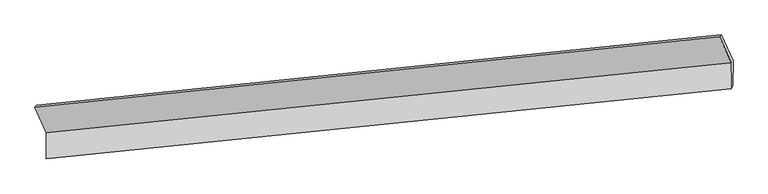
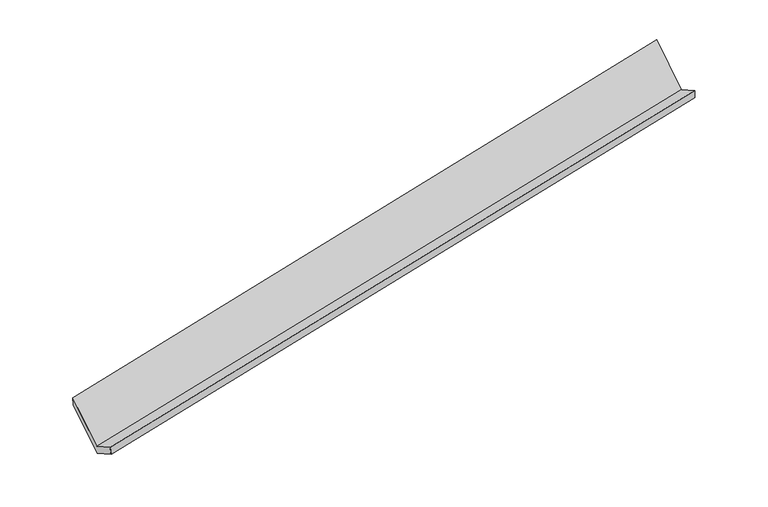
"""IFC4 building model written with IfcOpenShell, lengths in millimetres: proxy geometry."""

from ifc_helpers import new_model, si_unit, frame, origin, place, context, project, spatial, source, transform, mapped, element, save
from ifc_brep_helpers import plane_surface, spline_surface, advanced_brep


def generic_models_1192a28b(model_context):
    return source(origin(), model_context, "Body", "AdvancedBrep", [
        advanced_brep(
        [(-7624.3546119, -2007.4686643, 773.5888354), (-7626.9364618, -2375.8903012, 979.7454972), (1985.8686675, -1395.6719793, 2862.116843), (1988.4505174, -1027.2503423, 2655.9601813), (-7602.1644032, -2356.9189057, 844.1269461), (2010.8241887, -1350.5210637, 2711.8490914), (-7599.5285589, -1980.7924373, 633.6589135), (2013.2765704, -1000.5741153, 2516.0302594), (-7761.681788, -1623.954905, 1269.3308895), (1847.8663667, -636.5692216, 3164.4702049), (-7786.6999019, -1650.208479, 1410.0137273), (1822.8482528, -662.8227956, 3305.1530427)],
        [
            (0, 1),
            (1, 2),
            (2, 3),
            (3, 0),
            (1, 4),
            (4, 5),
            (5, 2),
            (4, 6),
            (6, 7),
            (7, 5),
            (6, 8),
            (8, 9),
            (9, 7),
            (8, 10),
            (10, 11),
            (11, 9),
            (10, 0),
            (3, 11),
        ],
        [
            plane_surface(frame((-7625.6455368, -2191.6794828, 876.6671663), z_axis=(-0.21548518512131143, 0.4779934380764547, 0.8515212317664691), x_axis=(-0.006115419903508685, -0.8726506652948814, 0.48830668436936703))),
            spline_surface(1, 1, [[(-7626.9364618, -2375.8903012, 979.7454972), (1985.8686675, -1395.6719793, 2862.116843)], [(-7602.1644032, -2356.9189057, 844.1269461), (2010.8241887, -1350.5210637, 2711.8490914)]], [2, 2], [2, 2], [0.0, 1.0], [0.0, 1.0]),
            plane_surface(frame((-7600.8464811, -2168.8556715, 738.8929298), z_axis=(0.21548518512131043, -0.4779934380765754, -0.8515212317664015), x_axis=(0.006115419903506466, 0.8726506652948121, -0.488306684369491))),
            plane_surface(frame((-7680.6051735, -1802.3736711, 951.4949015), z_axis=(0.006611200895105668, 0.8727017608348802, -0.48820889858586586), x_axis=(-0.2171316418546682, 0.4778240909030943, 0.8511979724236469))),
            plane_surface(frame((-7774.1908449, -1637.081692, 1339.6723084), z_axis=(-0.1319137054647546, 0.9784055570446035, 0.15912680558220582), x_axis=(-0.17220398312175253, -0.1807078676310177, 0.9683441819793486))),
            plane_surface(frame((-7705.5272569, -1828.8385716, 1091.8012814), z_axis=(-0.0066112008950874185, -0.8727017608349195, 0.48820889858579586), x_axis=(0.21713164185467404, -0.4778240909030219, -0.8511979724236861))),
            plane_surface(frame((1944.8557606, -1012.2349196, 2869.2632704), z_axis=(0.976123174473846, 0.10082139908342733, 0.19240216667689036), x_axis=(-0.17220398312175253, -0.1807078676310177, 0.9683441819793486))),
            plane_surface(frame((-7666.8942876, -1999.2056154, 985.0774682), z_axis=(-0.9761231744738467, -0.1008213990834212, -0.19240216667689117), x_axis=(-0.21713164185467176, 0.4778240909030137, 0.8511979724236913))),
        ],
        [
            (0, [[1, 2, 3, 4]]),
            (1, [[5, 6, 7, -2]]),
            (2, [[8, 9, 10, -6]]),
            (3, [[11, 12, 13, -9]]),
            (4, [[14, 15, 16, -12]]),
            (5, [[17, -4, 18, -15]]),
            (6, [[-16, -18, -3, -7, -10, -13]]),
            (7, [[-17, -14, -11, -8, -5, -1]]),
        ],
    ),
    ])


if __name__ == "__main__":
    model = new_model("IFC4")
    model_context = context("Model", 3, world=origin())
    ifc_project = project(units=[si_unit("LENGTHUNIT", "METRE", prefix="MILLI")], contexts=[model_context])
    site = spatial("IfcSite", under=ifc_project)
    building = spatial("IfcBuilding", under=site)
    placement = place(None, origin())
    generic_models_shape = generic_models_1192a28b(model_context)
    element("IfcBuildingElementProxy", 1, Name="Generic Models", at=placement, inside=building, context=model_context, shape_type="MappedRepresentation", body=[
        mapped(generic_models_shape, transform((0.0, 0.0, 0.0), x_axis=(1.0, 0.0, 0.0), y_axis=(0.0, 1.0, 0.0), z_axis=(0.0, 0.0, 1.0))),
    ])
    save(model, "model.ifc")
